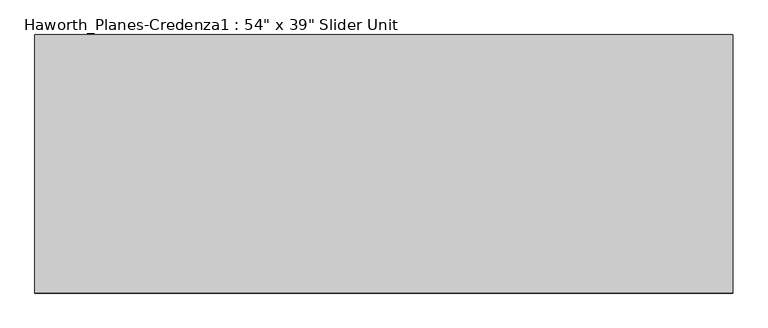
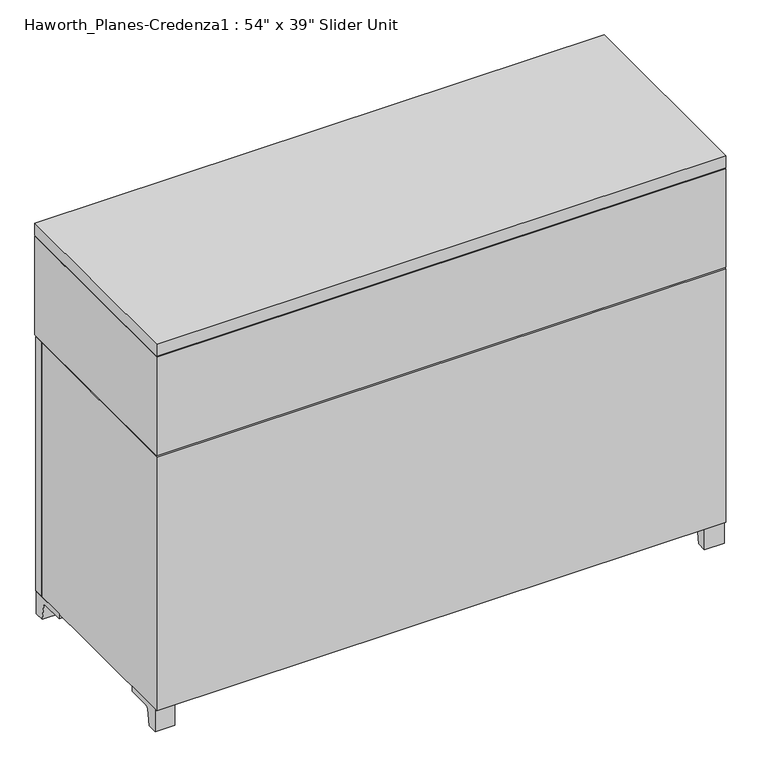
"""IFC4 building model written with IfcOpenShell, lengths in millimetres: furniture geometry."""

from ifc_helpers import new_model, si_unit, point, frame, frame_2d, origin, place, context, project, spatial, polyline, circle_curve, trimmed, segment, composite_curve, outline, extrude, faceted_brep, source, transform, mapped, element, save


def furniture_309320f0(model_context):
    return source(origin(), model_context, "Body", "SolidModel", [
        extrude(outline(composite_curve([segment(polyline([(368.5593029, 0.0), (362.0353139, 39.1439336)]), True, "CONTINUOUS"), segment(trimmed(circle_curve(frame_2d((355.7717125, 38.1)), 6.35), [point((362.0353139, 39.1439336))], [point((355.7717125, 44.45))], True, "CARTESIAN"), True, "CONTINUOUS"), segment(polyline([(355.7717125, 44.45), (297.650956, 44.45), (297.650956, 57.15), (392.900956, 57.15), (392.900956, 0.0), (368.5593029, 0.0)]), True, "CONTINUOUS")], self_intersect=False)), frame((953.7480475, 0.0, 0.0), z_axis=(1.0, 0.0, 0.0), x_axis=(0.0, 1.0, 0.0)), (0.0, 0.0, 1.0), 47.625),
        extrude(outline(composite_curve([segment(polyline([(-78.0573909, 0.0), (-102.399044, 0.0), (-102.399044, 57.15), (-7.149044, 57.15), (-7.149044, 44.45), (-65.2698006, 44.45)]), True, "CONTINUOUS"), segment(trimmed(circle_curve(frame_2d((-65.2698006, 38.1)), 6.35), [point((-65.2698006, 44.45))], [point((-71.533402, 39.1439336))], True, "CARTESIAN"), True, "CONTINUOUS"), segment(polyline([(-71.533402, 39.1439336), (-78.0573909, 0.0)]), True, "CONTINUOUS")], self_intersect=False)), frame((953.7480475, 0.0, 0.0), z_axis=(1.0, 0.0, 0.0), x_axis=(0.0, 1.0, 0.0)), (0.0, 0.0, 1.0), 47.625),
        extrude(outline(composite_curve([segment(polyline([(368.5593029, 0.0), (362.0353139, 39.1439336)]), True, "CONTINUOUS"), segment(trimmed(circle_curve(frame_2d((355.7717125, 38.1)), 6.35), [point((362.0353139, 39.1439336))], [point((355.7717125, 44.45))], True, "CARTESIAN"), True, "CONTINUOUS"), segment(polyline([(355.7717125, 44.45), (297.650956, 44.45), (297.650956, 57.15), (392.900956, 57.15), (392.900956, 0.0), (368.5593029, 0.0)]), True, "CONTINUOUS")], self_intersect=False)), frame((-370.2269525, 0.0, 0.0), z_axis=(1.0, 0.0, 0.0), x_axis=(0.0, 1.0, 0.0)), (0.0, 0.0, 1.0), 47.625),
        extrude(outline(composite_curve([segment(polyline([(-78.0573909, 0.0), (-102.399044, 0.0), (-102.399044, 57.15), (-7.149044, 57.15), (-7.149044, 44.45), (-65.2698006, 44.45)]), True, "CONTINUOUS"), segment(trimmed(circle_curve(frame_2d((-65.2698006, 38.1)), 6.35), [point((-65.2698006, 44.45))], [point((-71.533402, 39.1439336))], True, "CARTESIAN"), True, "CONTINUOUS"), segment(polyline([(-71.533402, 39.1439336), (-78.0573909, 0.0)]), True, "CONTINUOUS")], self_intersect=False)), frame((-370.2269525, 0.0, 0.0), z_axis=(1.0, 0.0, 0.0), x_axis=(0.0, 1.0, 0.0)), (0.0, 0.0, 1.0), 47.625),
        extrude(outline(polyline([(543.3792975, 396.075956), (543.3792975, 370.675956), (87.7667975, 370.675956), (87.7667975, 396.075956), (543.3792975, 396.075956)])), frame((0.0, 0.0, 57.15), z_axis=(0.0, 0.0, 1.0), x_axis=(1.0, 0.0, 0.0)), (0.0, 0.0, 1.0), 646.1125),
        extrude(outline(polyline([(-370.2269525, 396.075956), (85.3855475, 396.075956), (85.3855475, 370.675956), (-370.2269525, 370.675956), (-370.2269525, 396.075956)])), frame((0.0, 0.0, 57.15), z_axis=(0.0, 0.0, 1.0), x_axis=(1.0, 0.0, 0.0)), (0.0, 0.0, 1.0), 646.1125),
        extrude(outline(polyline([(1001.3730475, 396.075956), (1001.3730475, 370.675956), (545.7605475, 370.675956), (545.7605475, 396.075956), (1001.3730475, 396.075956)])), frame((0.0, 0.0, 57.15), z_axis=(0.0, 0.0, 1.0), x_axis=(1.0, 0.0, 0.0)), (0.0, 0.0, 1.0), 646.1125),
        extrude(outline(polyline([(928.3480478, 389.7259439), (929.9355463, 377.025956), (920.4105486, 377.025956), (921.9980471, 389.7259439), (928.3480478, 389.7259439)])), frame((0.0, 0.0, 758.825), z_axis=(0.0, 0.0, 1.0), x_axis=(1.0, 0.0, 0.0)), (0.0, 0.0, 1.0), 149.225),
        extrude(outline(polyline([(-290.8519522, 396.0759439), (-289.2644537, 383.375956), (-298.7894514, 383.375956), (-297.2019529, 396.0759439), (-290.8519522, 396.0759439)])), frame((0.0, 0.0, 758.825), z_axis=(0.0, 0.0, 1.0), x_axis=(1.0, 0.0, 0.0)), (0.0, 0.0, 1.0), 149.225),
        extrude(outline(polyline([(-344.8269525, 377.025956), (-344.8269525, 383.375956), (328.2730475, 383.375956), (328.2730475, 377.025956), (-344.8269525, 377.025956)])), frame((0.0, 0.0, 731.8375), z_axis=(0.0, 0.0, 1.0), x_axis=(1.0, 0.0, 0.0)), (0.0, 0.0, 1.0), 203.2),
        extrude(outline(polyline([(302.8730475, 370.675956), (302.8730475, 377.025956), (975.9730475, 377.025956), (975.9730475, 370.675956), (302.8730475, 370.675956)])), frame((0.0, 0.0, 731.8375), z_axis=(0.0, 0.0, 1.0), x_axis=(1.0, 0.0, 0.0)), (0.0, 0.0, 1.0), 203.2),
        faceted_brep([(-370.2269525, 370.675956, 703.2625), (-344.8269525, 370.675956, 703.2625), (-344.8269525, 370.675956, 706.4375), (975.9730475, 370.675956, 706.4375), (975.9730475, 370.675956, 703.2625), (1001.3730475, 370.675956, 703.2625), (1001.3730475, 370.675956, 57.15), (-370.2269525, 370.675956, 57.15), (-370.2269525, -108.749044, 703.2625), (-370.2269525, -108.749044, 57.15), (1001.3730475, -108.749044, 57.15), (1001.3730475, -108.749044, 703.2625), (975.9730475, -83.349044, 703.2625), (-344.8269525, -83.349044, 703.2625), (-344.8269525, -83.349044, 706.4375), (975.9730475, -83.349044, 706.4375)], [[[0, 1, 2, 3, 4, 5, 6, 7]], [[8, 9, 10, 11]], [[7, 9, 8, 0]], [[6, 10, 9, 7]], [[5, 11, 10, 6]], [[11, 5, 4, 12, 13, 1, 0, 8]], [[14, 13, 12, 15]], [[1, 13, 14, 2]], [[3, 15, 12, 4]], [[2, 14, 15, 3]]]),
        faceted_brep([(975.9730475, 399.250956, 960.4375), (975.9730475, 399.250956, 957.2625), (1001.3730475, 399.250956, 957.2625), (1001.3730475, 399.250956, 706.4375), (-370.2269525, 399.250956, 706.4375), (-370.2269525, 399.250956, 957.2625), (-344.8269525, 399.250956, 957.2625), (-344.8269525, 399.250956, 960.4375), (975.9730475, 399.250956, 935.0375), (-344.8269525, 399.250956, 935.0375), (-344.8269525, 399.250956, 731.8375), (975.9730475, 399.250956, 731.8375), (975.9730475, -83.349044, 960.4375), (-344.8269525, -83.349044, 960.4375), (-344.8269525, -83.349044, 957.2625), (975.9730475, -83.349044, 957.2625), (-370.2269525, -108.749044, 706.4375), (-370.2269525, -108.749044, 957.2625), (1001.3730475, -108.749044, 706.4375), (1001.3730475, -108.749044, 957.2625), (975.9730475, -83.349044, 731.8375), (975.9730475, -83.349044, 935.0375), (-344.8269525, -83.349044, 731.8375), (-344.8269525, -83.349044, 935.0375)], [[[0, 1, 2, 3, 4, 5, 6, 7], [8, 9, 10, 11]], [[12, 13, 14, 15]], [[7, 13, 12, 0]], [[4, 16, 17, 5]], [[3, 18, 16, 4]], [[2, 19, 18, 3]], [[11, 20, 21, 8]], [[10, 22, 20, 11]], [[9, 23, 22, 10]], [[8, 21, 23, 9]], [[20, 22, 23, 21]], [[19, 17, 16, 18]], [[6, 14, 13, 7]], [[17, 19, 2, 1, 15, 14, 6, 5]], [[0, 12, 15, 1]]]),
        extrude(outline(polyline([(1001.3730475, -108.749044), (-370.2269525, -108.749044), (-370.2269525, 399.250956), (1001.3730475, 399.250956), (1001.3730475, -108.749044)])), frame((0.0, 0.0, 960.4375), z_axis=(0.0, 0.0, 1.0), x_axis=(1.0, 0.0, 0.0)), (0.0, 0.0, 1.0), 30.1625),
    ])


if __name__ == "__main__":
    model = new_model("IFC4")
    model_context = context("Model", 3, world=origin())
    ifc_project = project(units=[si_unit("LENGTHUNIT", "METRE", prefix="MILLI")], contexts=[model_context])
    site = spatial("IfcSite", under=ifc_project)
    building = spatial("IfcBuilding", under=site)
    placement = place(None, origin())
    furniture_shape = furniture_309320f0(model_context)
    element("IfcFurniture", 1, ObjectType="Haworth_Planes-Credenza1 : 54\" x 39\" Slider Unit", at=placement, inside=building, context=model_context, shape_type="MappedRepresentation", body=[
        mapped(furniture_shape, transform((0.0, 0.0, 0.0), x_axis=(1.0, 0.0, 0.0), y_axis=(0.0, 1.0, 0.0), z_axis=(0.0, 0.0, 1.0))),
    ])
    save(model, "model.ifc")
